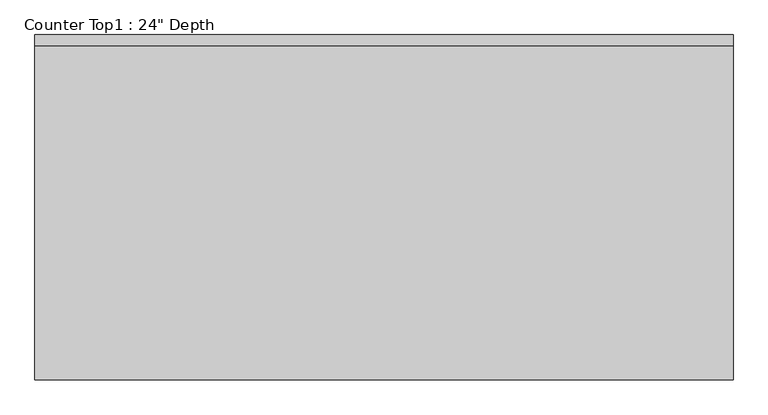
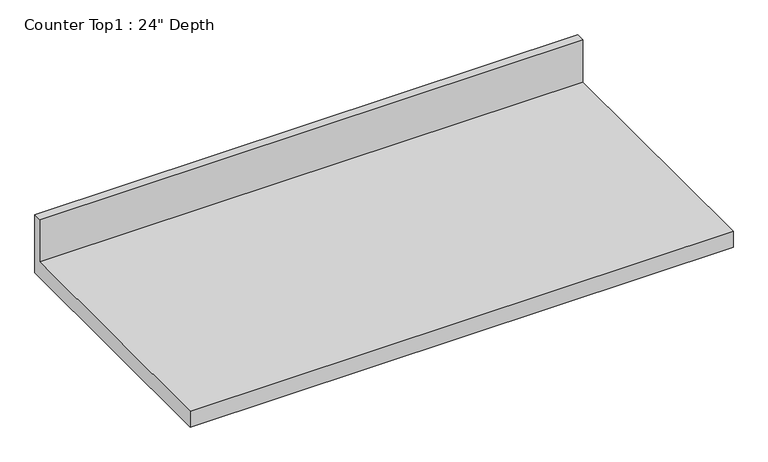
"""IFC4 building model written with IfcOpenShell, lengths in millimetres: furniture geometry."""

from ifc_helpers import new_model, si_unit, frame, origin, place, context, project, spatial, polyline, outline, extrude, source, transform, mapped, element, save


def furniture_332ea79f(model_context):
    return source(origin(), model_context, "Body", "SweptSolid", [
        extrude(outline(polyline([(0.0, 1016.0), (0.0, 876.3), (-609.6, 876.3), (-609.6, 914.4), (-19.05, 914.4), (-19.05, 1016.0), (0.0, 1016.0)])), frame((-1200.4622951, 0.0, 0.0), z_axis=(1.0, 0.0, 0.0), x_axis=(0.0, 1.0, 0.0)), (0.0, 0.0, 1.0), 1232.2294002),
    ])


if __name__ == "__main__":
    model = new_model("IFC4")
    model_context = context("Model", 3, world=origin())
    ifc_project = project(units=[si_unit("LENGTHUNIT", "METRE", prefix="MILLI")], contexts=[model_context])
    site = spatial("IfcSite", under=ifc_project)
    building = spatial("IfcBuilding", under=site)
    placement = place(None, origin())
    furniture_shape = furniture_332ea79f(model_context)
    element("IfcFurniture", 1, ObjectType="Counter Top1 : 24\" Depth", at=placement, inside=building, context=model_context, shape_type="MappedRepresentation", body=[
        mapped(furniture_shape, transform((0.0, 0.0, 0.0), x_axis=(1.0, 0.0, 0.0), y_axis=(0.0, 1.0, 0.0), z_axis=(0.0, 0.0, 1.0))),
    ])
    save(model, "model.ifc")
